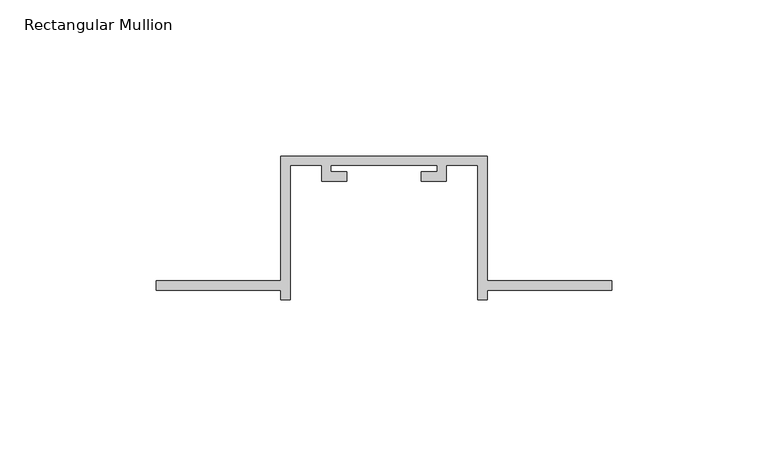
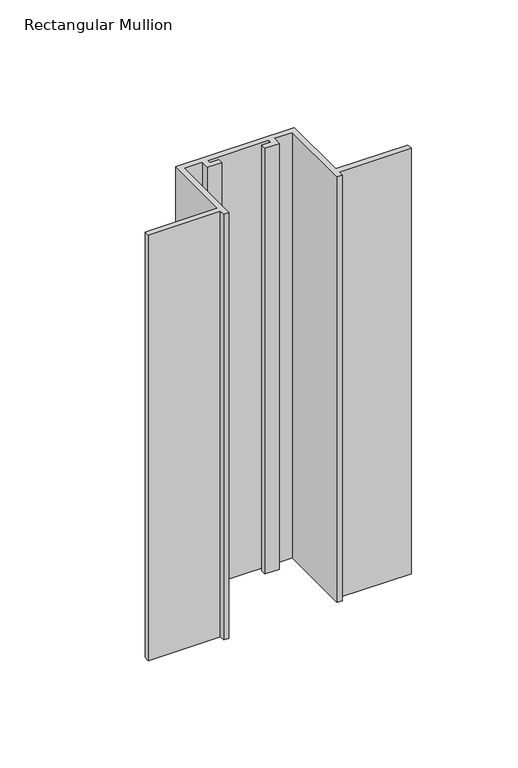
"""IFC4 building model written with IfcOpenShell, lengths in millimetres: member geometry, Rectangular Mullion."""

from ifc_helpers import new_model, si_unit, frame, origin, place, context, project, spatial, polyline, outline, extrude, source, transform, mapped, element, save


def rectangular_mullion_2e168165(model_context):
    return source(origin(), model_context, "Body", "SweptSolid", [
        extrude(outline(polyline([(-106.0, -132.0), (-146.0, -132.0), (-146.0, -129.0), (-106.0, -129.0), (-106.0, -89.0), (-40.0, -89.0), (-40.0, -129.0), (0.0, -129.0), (0.0, -132.0), (-40.0, -132.0), (-40.0, -135.0), (-43.0, -135.0), (-43.0, -92.0), (-53.0, -92.0), (-53.0, -97.0), (-61.0, -97.0), (-61.0, -94.0), (-56.0, -94.0), (-56.0, -92.0), (-90.0, -92.0), (-90.0, -94.0), (-85.0, -94.0), (-85.0, -97.0), (-93.0, -97.0), (-93.0, -92.0), (-103.0, -92.0), (-103.0, -135.0), (-106.0, -135.0), (-106.0, -132.0)])), frame((0.0, 0.0, -250.4084279), z_axis=(0.0, 0.0, 1.0), x_axis=(1.0, 0.0, 0.0)), (0.0, 0.0, 1.0), 250.4084279),
    ])


if __name__ == "__main__":
    model = new_model("IFC4")
    model_context = context("Model", 3, world=origin())
    ifc_project = project(units=[si_unit("LENGTHUNIT", "METRE", prefix="MILLI")], contexts=[model_context])
    site = spatial("IfcSite", under=ifc_project)
    building = spatial("IfcBuilding", under=site)
    placement = place(None, origin())
    rectangular_mullion_shape = rectangular_mullion_2e168165(model_context)
    element("IfcMember", 1, ObjectType="Rectangular Mullion", at=placement, inside=building, context=model_context, shape_type="MappedRepresentation", body=[
        mapped(rectangular_mullion_shape, transform((0.0, 0.0, 0.0), x_axis=(1.0, 0.0, 0.0), y_axis=(0.0, 1.0, 0.0), z_axis=(0.0, 0.0, 1.0))),
    ])
    save(model, "model.ifc")
